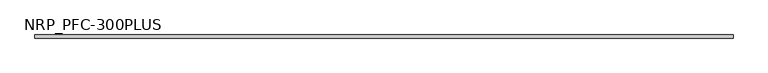
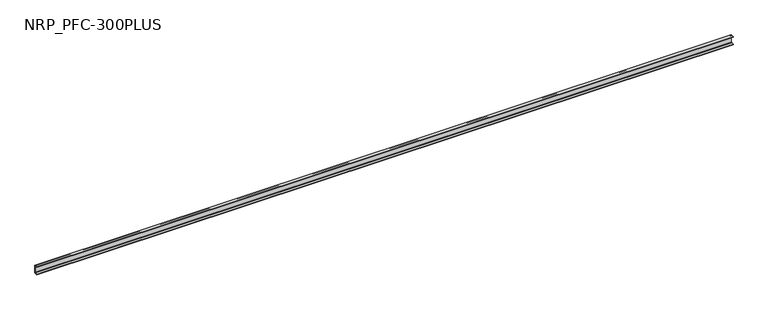
"""IFC4 building model written with IfcOpenShell, lengths in millimetres: beam geometry, NRP_PFC-300PLUS."""

from ifc_helpers import new_model, si_unit, point, frame, frame_2d, origin, place, context, project, spatial, polyline, circle_curve, trimmed, segment, composite_curve, outline, extrude, source, transform, mapped, element, save


def nrp_pfc_300plus_04e64d1d(model_context):
    return source(origin(), model_context, "Body", "SweptSolid", [
        extrude(outline(composite_curve([segment(polyline([(24.4, 100.0), (24.4, -100.0), (-50.6, -100.0), (-50.6, -88.0), (6.4, -88.0)]), True, "CONTINUOUS"), segment(trimmed(circle_curve(frame_2d((6.4, -76.0)), 12.0), [point((6.4, -88.0))], [point((18.4, -76.0))], True, "CARTESIAN"), True, "CONTINUOUS"), segment(polyline([(18.4, -76.0), (18.4, 76.0)]), True, "CONTINUOUS"), segment(trimmed(circle_curve(frame_2d((6.4, 76.0)), 12.0), [point((18.4, 76.0))], [point((6.4, 88.0))], True, "CARTESIAN"), True, "CONTINUOUS"), segment(polyline([(6.4, 88.0), (-50.6, 88.0), (-50.6, 100.0), (24.4, 100.0)]), True, "CONTINUOUS")], self_intersect=False)), frame((-8316.0, 0.0, 0.0), z_axis=(1.0, 0.0, 0.0), x_axis=(0.0, 1.0, 0.0)), (0.0, 0.0, 1.0), 16632.0),
    ])


if __name__ == "__main__":
    model = new_model("IFC4")
    model_context = context("Model", 3, world=origin())
    ifc_project = project(units=[si_unit("LENGTHUNIT", "METRE", prefix="MILLI")], contexts=[model_context])
    site = spatial("IfcSite", under=ifc_project)
    building = spatial("IfcBuilding", under=site)
    placement = place(None, origin())
    nrp_pfc_300plus_shape = nrp_pfc_300plus_04e64d1d(model_context)
    element("IfcBeam", 1, ObjectType="NRP_PFC-300PLUS", at=placement, inside=building, context=model_context, shape_type="MappedRepresentation", body=[
        mapped(nrp_pfc_300plus_shape, transform((0.0, 0.0, 0.0), x_axis=(1.0, 0.0, 0.0), y_axis=(0.0, 1.0, 0.0), z_axis=(0.0, 0.0, 1.0))),
    ])
    save(model, "model.ifc")
